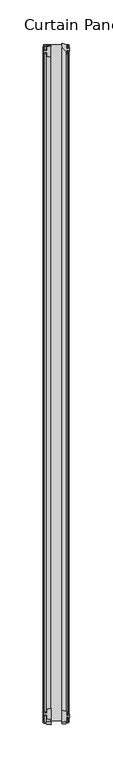
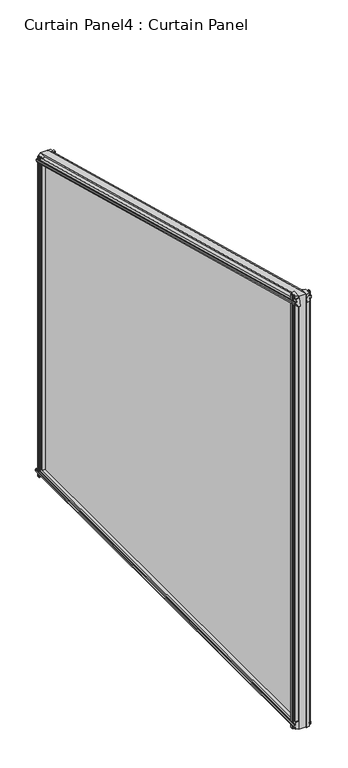
"""IFC4 building model written with IfcOpenShell, lengths in millimetres: plate geometry, Curtain Panel4 : Curtain Panel."""

from ifc_helpers import new_model, si_unit, frame, origin, place, context, project, spatial, polyline, outline, extrude, source, transform, mapped, element, save


def curtain_panel4_curtain_panel_caf3873f(model_context):
    return source(origin(), model_context, "Body", "SweptSolid", [
        extrude(outline(polyline([(1742.292414, -5117.3782493), (1741.0189844, -5122.3870725), (1736.7263844, -5122.3870725), (1736.2437844, -5125.1048725), (1737.7931844, -5124.8508725), (1737.7931844, -5125.6636725), (1735.4563844, -5126.0700725), (1733.1195844, -5125.6636725), (1733.1195844, -5124.8508725), (1734.6689844, -5125.1048725), (1734.1863844, -5122.3870725), (1729.8937844, -5122.3870725), (1728.6203548, -5117.3782493), (1742.292414, -5117.3782493)])), frame((0.0, 2171.3784238, 0.0), z_axis=(0.0, 1.0, 0.0), x_axis=(0.0, 0.0, 1.0)), (0.0, 0.0, 1.0), 779.3528414),
        extrude(outline(polyline([(1739.5513955, -5104.5258493), (1726.0781734, -5104.5258493), (1727.2521844, -5099.9080725), (1731.5447844, -5099.9080725), (1732.0273844, -5097.1902725), (1730.4779844, -5097.4442725), (1730.4779844, -5096.6314725), (1732.8147844, -5096.2250725), (1735.1515844, -5096.6314725), (1735.1515844, -5097.4442725), (1733.6021844, -5097.1902725), (1734.0847844, -5099.9080725), (1738.3773844, -5099.9080725), (1739.5513955, -5104.5258493)])), frame((0.0, 2171.3784238, 0.0), z_axis=(0.0, 1.0, 0.0), x_axis=(0.0, 0.0, 1.0)), (0.0, 0.0, 1.0), 779.3528414),
        extrude(outline(polyline([(-5117.3782493, 2949.3331485), (-5117.3782493, 2935.9285791), (-5121.8610091, 2937.0682638), (-5121.8610091, 2941.3608638), (-5124.5788091, 2941.8434638), (-5124.3248091, 2940.2940638), (-5125.1376091, 2940.2940638), (-5125.5440091, 2942.6308638), (-5125.1376091, 2944.9676638), (-5124.3248091, 2944.9676638), (-5124.5788091, 2943.4182638), (-5121.8610091, 2943.9008638), (-5121.8610091, 2948.1934638), (-5117.3782493, 2949.3331485)])), frame((0.0, 0.0, 1727.321074), z_axis=(0.0, 0.0, 1.0), x_axis=(1.0, 0.0, 0.0)), (0.0, 0.0, 1.0), 588.7214612),
        extrude(outline(polyline([(-5104.5258493, 2938.4021078), (-5104.5258493, 2952.1428198), (-5099.3820091, 2950.8350638), (-5099.3820091, 2946.5424638), (-5096.6642091, 2946.0598638), (-5096.9182091, 2947.6092638), (-5096.1054091, 2947.6092638), (-5095.6990091, 2945.2724638), (-5096.1054091, 2942.9356638), (-5096.9182091, 2942.9356638), (-5096.6642091, 2944.4850638), (-5099.3820091, 2944.0024638), (-5099.3820091, 2939.7098638), (-5104.5258493, 2938.4021078)])), frame((0.0, 0.0, 1727.321074), z_axis=(0.0, 0.0, 1.0), x_axis=(1.0, 0.0, 0.0)), (0.0, 0.0, 1.0), 588.7214612),
        extrude(outline(polyline([(-5117.3782493, 2185.9576476), (-5117.3782493, 2172.5523068), (-5121.8625262, 2173.6923772), (-5121.8625262, 2177.9849772), (-5124.5803262, 2178.4675772), (-5124.3263262, 2176.9181772), (-5125.1391262, 2176.9181772), (-5125.5455262, 2179.2549772), (-5125.1391262, 2181.5917772), (-5124.3263262, 2181.5917772), (-5124.5803262, 2180.0423772), (-5121.8625262, 2180.5249772), (-5121.8625262, 2184.8175772), (-5117.3782493, 2185.9576476)])), frame((0.0, 0.0, 1727.321074), z_axis=(0.0, 0.0, 1.0), x_axis=(1.0, 0.0, 0.0)), (0.0, 0.0, 1.0), 797.5484256),
        extrude(outline(polyline([(-5104.5258493, 2183.4833475), (-5099.3835262, 2182.1759772), (-5099.3835262, 2177.8833772), (-5096.6657262, 2177.4007772), (-5096.9197262, 2178.9501772), (-5096.1069262, 2178.9501772), (-5095.7005262, 2176.6133772), (-5096.1069262, 2174.2765772), (-5096.9197262, 2174.2765772), (-5096.6657262, 2175.8259772), (-5099.3835262, 2175.3433772), (-5099.3835262, 2171.0507772), (-5104.5258493, 2169.743407), (-5104.5258493, 2183.4833475)])), frame((0.0, 0.0, 1727.321074), z_axis=(0.0, 0.0, 1.0), x_axis=(1.0, 0.0, 0.0)), (0.0, 0.0, 1.0), 797.5484256),
        extrude(outline(polyline([(-17.2667099, 1.5039313), (-17.2667099, 5.7965313), (-19.9845099, 6.2791313), (-19.7305099, 4.7297313), (-20.5433099, 4.7297313), (-20.9497099, 7.0665313), (-20.5433099, 9.4033314), (-19.7305099, 9.4033314), (-19.9845099, 7.8539313), (-17.2667099, 8.3365313), (-17.2667099, 12.6291313), (-12.8524, 13.7514135), (-12.8524, 0.3816492), (-17.2667099, 1.5039313)])), frame((-5117.3782493, 2950.7312652, 2316.0425352), z_axis=(0.0, -0.9659258262890705, 0.2588190451025126), x_axis=(-1.0, 0.0, 0.0)), (0.0, 0.0, 1.0), 806.8454328),
        extrude(outline(polyline([(0.0, 2.7977496), (0.0, 16.567713), (5.2013682, 15.2453314), (5.2013682, 10.9527314), (7.9191682, 10.4701314), (7.6651682, 12.0195313), (8.4779682, 12.0195313), (8.8843682, 9.6827314), (8.4779682, 7.3459314), (7.6651682, 7.3459314), (7.9191682, 8.8953314), (5.2013682, 8.4127314), (5.2013682, 4.1201314), (0.0, 2.7977496)])), frame((-5117.3782493, 2950.7312652, 2316.0425352), z_axis=(0.0, -0.9659258262890705, 0.2588190451025126), x_axis=(-1.0, 0.0, 0.0)), (0.0, 0.0, 1.0), 806.8454328),
        extrude(outline(polyline([(2950.7312652, 1727.321074), (2171.3784238, 1727.321074), (2171.3784238, 2524.8694996), (2950.7312652, 2316.0425352), (2950.7312652, 1727.321074)])), frame((-5117.3782493, 0.0, 0.0), z_axis=(1.0, 0.0, 0.0), x_axis=(0.0, 1.0, 0.0)), (0.0, 0.0, 1.0), 12.8524),
    ])


if __name__ == "__main__":
    model = new_model("IFC4")
    model_context = context("Model", 3, world=origin())
    ifc_project = project(units=[si_unit("LENGTHUNIT", "METRE", prefix="MILLI")], contexts=[model_context])
    site = spatial("IfcSite", under=ifc_project)
    building = spatial("IfcBuilding", under=site)
    placement = place(None, origin())
    curtain_panel4_curtain_panel_shape = curtain_panel4_curtain_panel_caf3873f(model_context)
    element("IfcPlate", 1, ObjectType="Curtain Panel4 : Curtain Panel", at=placement, inside=building, context=model_context, shape_type="MappedRepresentation", body=[
        mapped(curtain_panel4_curtain_panel_shape, transform((0.0, 0.0, 0.0), x_axis=(1.0, 0.0, 0.0), y_axis=(0.0, 1.0, 0.0), z_axis=(0.0, 0.0, 1.0))),
    ])
    save(model, "model.ifc")
